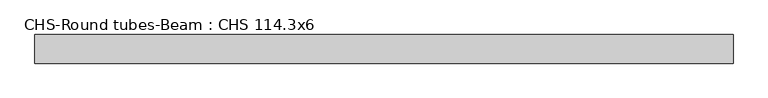
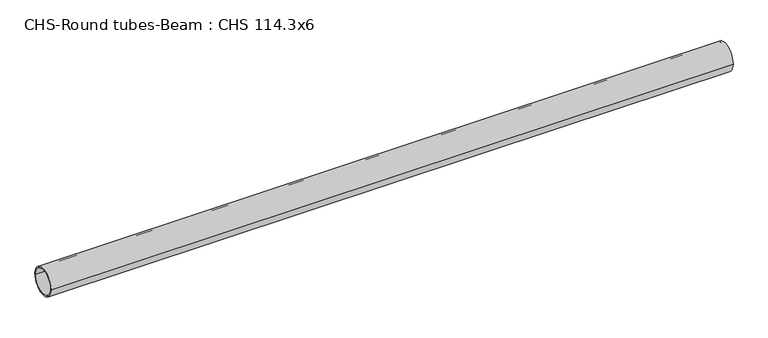
"""IFC4 building model written with IfcOpenShell, lengths in millimetres: beam geometry, CHS-Round tubes-Beam : CHS 114.3x6."""

from ifc_helpers import new_model, si_unit, point, frame, origin, origin_2d, place, context, project, spatial, circle_curve, trimmed, segment, composite_curve, outline, extrude, source, transform, mapped, element, save


def chs_round_tubes_beam_chs_114_3x6_02507ac5(model_context):
    return source(origin(), model_context, "Body", "SweptSolid", [
        extrude(outline(composite_curve([segment(trimmed(circle_curve(origin_2d(), 57.15), [point((57.15, 0.0))], [point((-57.15, 0.0))], False, "CARTESIAN"), True, "CONTINUOUS"), segment(trimmed(circle_curve(origin_2d(), 57.15), [point((-57.15, 0.0))], [point((57.15, 0.0))], False, "CARTESIAN"), True, "CONTINUOUS")], self_intersect=False), holes=[composite_curve([segment(trimmed(circle_curve(origin_2d(), 51.15), [point((51.15, 0.0))], [point((-51.15, 0.0))], True, "CARTESIAN"), True, "CONTINUOUS"), segment(trimmed(circle_curve(origin_2d(), 51.15), [point((-51.15, 0.0))], [point((51.15, 0.0))], True, "CARTESIAN"), True, "CONTINUOUS")], self_intersect=False)]), frame((-1351.7789274, 0.0, 0.0), z_axis=(1.0, 0.0, 0.0), x_axis=(0.0, 1.0, 0.0)), (0.0, 0.0, 1.0), 2790.3689402),
    ])


if __name__ == "__main__":
    model = new_model("IFC4")
    model_context = context("Model", 3, world=origin())
    ifc_project = project(units=[si_unit("LENGTHUNIT", "METRE", prefix="MILLI")], contexts=[model_context])
    site = spatial("IfcSite", under=ifc_project)
    building = spatial("IfcBuilding", under=site)
    placement = place(None, origin())
    chs_round_tubes_beam_chs_114_3x6_shape = chs_round_tubes_beam_chs_114_3x6_02507ac5(model_context)
    element("IfcBeam", 1, ObjectType="CHS-Round tubes-Beam : CHS 114.3x6", at=placement, inside=building, context=model_context, shape_type="MappedRepresentation", body=[
        mapped(chs_round_tubes_beam_chs_114_3x6_shape, transform((0.0, 0.0, 0.0), x_axis=(1.0, 0.0, 0.0), y_axis=(0.0, 1.0, 0.0), z_axis=(0.0, 0.0, 1.0))),
    ])
    save(model, "model.ifc")
